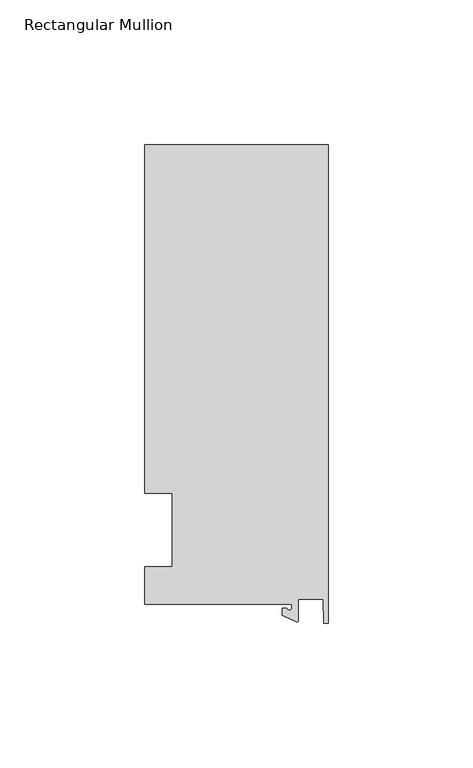
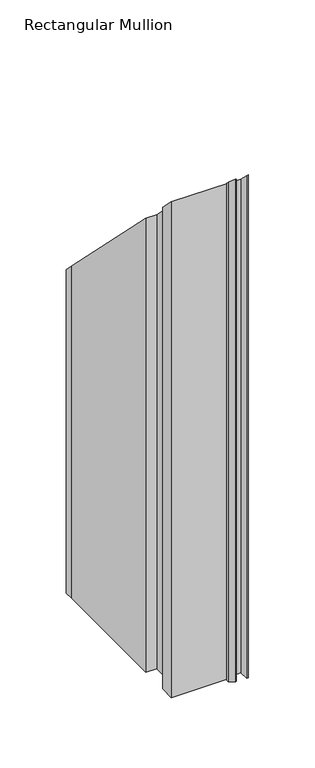
"""IFC4 building model written with IfcOpenShell, lengths in millimetres: member geometry, Rectangular Mullion."""

from ifc_helpers import new_model, si_unit, frame, origin, place, context, project, spatial, polyline, circle_curve, ellipse_curve, source, transform, mapped, element, save
from ifc_brep_helpers import plane_surface, cylinder_surface, revolved_surface, advanced_brep


def rectangular_mullion_5cd10a82(model_context):
    return source(origin(), model_context, "Body", "AdvancedBrep", [
        advanced_brep(
        [(-12.6173814, -25.796875, -431.8), (-63.5, -25.796875, -431.8), (-63.5, -12.7, -431.8), (-53.975, -12.7, -431.8), (-53.975, 12.7, -431.8), (-63.5, 12.7, -431.8), (-63.5, 125.8114907, -431.8), (-63.5, 133.34365, -431.8), (0.0, 133.34365, -431.8), (0.0, -32.288874, -431.8), (-1.5658966, -32.288874, -431.8), (-1.7144124, -23.9227662, -431.8), (-10.2297814, -23.9227662, -431.8), (-10.2297814, -31.2414327, -431.8), (-10.9524715, -31.7018371, -431.8), (-15.7923814, -29.44495, -431.8), (-15.7923814, -27.0827507, -431.8), (-14.2048814, -27.0827507, -431.8), (-12.6173814, -27.0827507, -431.8), (-12.6173814, -27.0827507, 27.0827507), (-12.6173814, -25.796875, 25.796875), (-14.2048814, -27.0827507, 27.0827507), (-15.7923814, -27.0827507, 27.0827507), (-15.7923814, -29.44495, 29.44495), (-10.9524715, -31.7018371, 31.7018371), (-10.2297814, -31.2414327, 31.2414327), (-10.2297814, -23.9227662, 23.9227662), (-1.7144124, -23.9227662, 23.9227662), (-1.5658966, -32.288874, 32.288874), (0.0, -32.288874, 32.288874), (0.0, 133.34365, -133.34365), (-63.5, 133.34365, -133.34365), (-63.5, 125.8114907, -125.8114907), (-63.5, 12.7, -12.7), (-53.975, 12.7, -12.7), (-53.975, -12.7, 12.7), (-63.5, -12.7, 12.7), (-63.5, -25.796875, 25.796875)],
        [
            (0, 1),
            (1, 2),
            (2, 3),
            (3, 4),
            (4, 5),
            (5, 6),
            (6, 7),
            (7, 8),
            (8, 9),
            (9, 10),
            (10, 11),
            (11, 12),
            (12, 13),
            (13, 14, circle_curve(frame((-10.7377814, -31.2414327, -431.8), z_axis=(0.0, 0.0, -1.0), x_axis=(-1.0, 0.0, 0.0)), 0.508)),
            (14, 15),
            (15, 16),
            (16, 17),
            (17, 18, circle_curve(frame((-13.4111314, -27.0827507, -431.8), z_axis=(0.0, 0.0, 1.0), x_axis=(-1.0, 0.0, 0.0)), 0.79375)),
            (18, 0),
            (19, 20),
            (20, 0),
            (18, 19),
            (21, 19, ellipse_curve(frame((-13.4111314, -27.0827507, 27.0827507), z_axis=(0.0, 0.7071067811865499, 0.7071067811865451), x_axis=(0.0, 0.7071067811865451, -0.7071067811865498)), 1.122532, 0.79375)),
            (17, 21),
            (22, 21),
            (16, 22),
            (23, 22),
            (15, 23),
            (24, 23),
            (14, 24),
            (25, 24, ellipse_curve(frame((-10.7377814, -31.2414327, 31.2414327), z_axis=(0.0, -0.7071067811865499, -0.7071067811865451), x_axis=(0.0, -0.7071067811865451, 0.7071067811865498)), 0.7184205, 0.508)),
            (13, 25),
            (26, 25),
            (12, 26),
            (27, 26),
            (11, 27),
            (28, 27),
            (10, 28),
            (29, 28),
            (9, 29),
            (30, 29),
            (8, 30),
            (31, 30),
            (7, 31),
            (32, 31),
            (6, 32),
            (33, 32),
            (5, 33),
            (34, 33),
            (4, 34),
            (35, 34),
            (3, 35),
            (36, 35),
            (2, 36),
            (37, 36),
            (1, 37),
            (20, 37),
        ],
        [
            plane_surface(frame((0.0, -147.6914994, -431.8), z_axis=(0.0, 0.0, -1.0), x_axis=(-1.0, 0.0, 0.0))),
            plane_surface(frame((-12.6173814, -25.796875, 0.0), z_axis=(-1.0, 0.0, 0.0), x_axis=(0.0, 0.0, -1.0))),
            revolved_surface(polyline([(-14.2048814, -27.0827507, -431.8), (-14.2048814, -27.0827507, 27.876500689298897)]), (-13.4111314, -27.0827507, 0.0), (0.0, 0.0, -1.0)),
            plane_surface(frame((-14.2048814, -27.0827507, 0.0), z_axis=(0.0, 1.0, 0.0), x_axis=(0.0, 0.0, -1.0))),
            plane_surface(frame((-15.7923814, -27.0827507, 0.0), z_axis=(-1.0, 0.0, 0.0), x_axis=(0.0, 0.0, -1.0))),
            plane_surface(frame((-15.7923814, -29.44495, 0.0), z_axis=(-0.4226182617406985, -0.9063077870366505, 0.0), x_axis=(0.0, 0.0, -1.0))),
            cylinder_surface(frame((-10.7377814, -31.2414327, 0.0), z_axis=(0.0, 0.0, 1.0), x_axis=(-1.0, 0.0, 0.0)), 0.508),
            plane_surface(frame((-10.2297814, -31.2414327, 0.0), z_axis=(1.0, 0.0, 0.0), x_axis=(0.0, 0.0, -1.0))),
            plane_surface(frame((-10.2297814, -23.9227662, 0.0), z_axis=(0.0, -1.0, 0.0), x_axis=(0.0, 0.0, -1.0))),
            plane_surface(frame((-1.7144124, -23.9227662, 0.0), z_axis=(-0.9998424690407919, -0.017749284560600327, 0.0), x_axis=(0.0, 0.0, -1.0))),
            plane_surface(frame((-1.5658966, -32.288874, 0.0), z_axis=(0.0, -1.0, 0.0), x_axis=(0.0, 0.0, -1.0))),
            plane_surface(frame((0.0, -32.288874, 0.0), z_axis=(1.0, 0.0, 0.0), x_axis=(0.0, 0.0, -1.0))),
            plane_surface(frame((0.0, 133.34365, 0.0), z_axis=(0.0, 1.0, 0.0), x_axis=(0.0, 0.0, -1.0))),
            plane_surface(frame((-63.5, 133.34365, 0.0), z_axis=(-1.0, 0.0, 0.0), x_axis=(0.0, 0.0, -1.0))),
            plane_surface(frame((-63.5, 125.8114907, 0.0), z_axis=(-1.0, 0.0, 0.0), x_axis=(0.0, 0.0, -1.0))),
            plane_surface(frame((-63.5, 12.7, 0.0), z_axis=(0.0, -1.0, 0.0), x_axis=(0.0, 0.0, -1.0))),
            plane_surface(frame((-53.975, 12.7, 0.0), z_axis=(-1.0, 0.0, 0.0), x_axis=(0.0, 0.0, -1.0))),
            plane_surface(frame((-53.975, -12.7, 0.0), z_axis=(0.0, 1.0, 0.0), x_axis=(0.0, 0.0, -1.0))),
            plane_surface(frame((-63.5, -12.7, 0.0), z_axis=(-1.0, 0.0, 0.0), x_axis=(0.0, 0.0, -1.0))),
            plane_surface(frame((-63.5, -25.796875, 0.0), z_axis=(0.0, -1.0, 0.0), x_axis=(0.0, 0.0, -1.0))),
            plane_surface(frame((-304.8, 0.0, 0.0), z_axis=(0.0, 0.7071067811865499, 0.7071067811865451), x_axis=(0.0, 0.7071067811865451, -0.7071067811865499))),
        ],
        [
            (0, [[1, 2, 3, 4, 5, 6, 7, 8, 9, 10, 11, 12, 13, 14, 15, 16, 17, 18, 19]]),
            (1, [[20, 21, -19, 22]]),
            (2, [[23, -22, -18, 24]]),
            (3, [[25, -24, -17, 26]]),
            (4, [[27, -26, -16, 28]]),
            (5, [[29, -28, -15, 30]]),
            (6, [[31, -30, -14, 32]]),
            (7, [[33, -32, -13, 34]]),
            (8, [[35, -34, -12, 36]]),
            (9, [[37, -36, -11, 38]]),
            (10, [[39, -38, -10, 40]]),
            (11, [[41, -40, -9, 42]]),
            (12, [[43, -42, -8, 44]]),
            (13, [[45, -44, -7, 46]]),
            (14, [[47, -46, -6, 48]]),
            (15, [[49, -48, -5, 50]]),
            (16, [[51, -50, -4, 52]]),
            (17, [[53, -52, -3, 54]]),
            (18, [[55, -54, -2, 56]]),
            (19, [[57, -56, -1, -21]]),
            (20, [[-20, -23, -25, -27, -29, -31, -33, -35, -37, -39, -41, -43, -45, -47, -49, -51, -53, -55, -57]]),
        ],
    ),
    ])


if __name__ == "__main__":
    model = new_model("IFC4")
    model_context = context("Model", 3, world=origin())
    ifc_project = project(units=[si_unit("LENGTHUNIT", "METRE", prefix="MILLI")], contexts=[model_context])
    site = spatial("IfcSite", under=ifc_project)
    building = spatial("IfcBuilding", under=site)
    placement = place(None, origin())
    rectangular_mullion_shape = rectangular_mullion_5cd10a82(model_context)
    element("IfcMember", 1, ObjectType="Rectangular Mullion", at=placement, inside=building, context=model_context, shape_type="MappedRepresentation", body=[
        mapped(rectangular_mullion_shape, transform((0.0, 0.0, 0.0), x_axis=(1.0, 0.0, 0.0), y_axis=(0.0, 1.0, 0.0), z_axis=(0.0, 0.0, 1.0))),
    ])
    save(model, "model.ifc")
